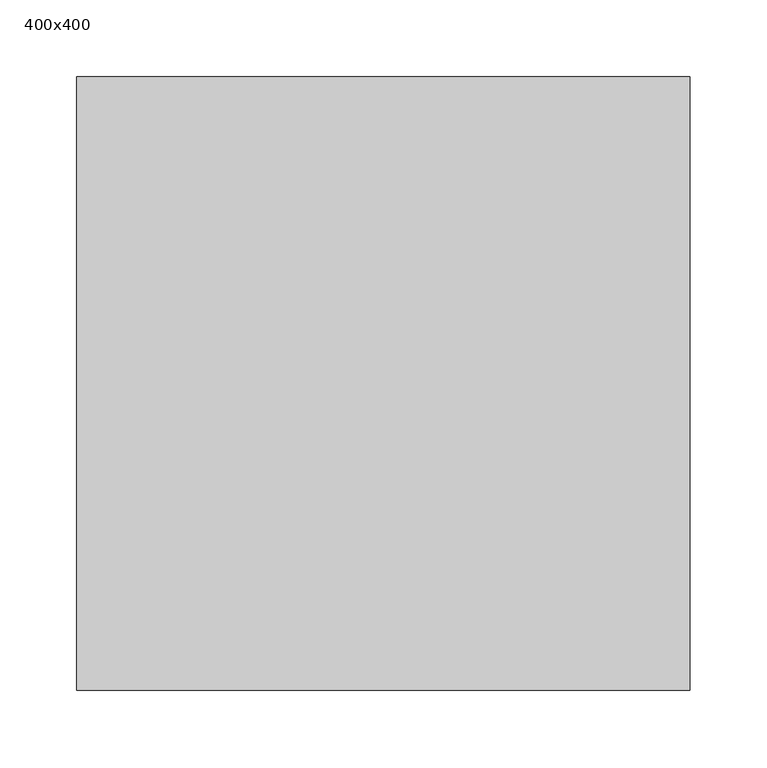
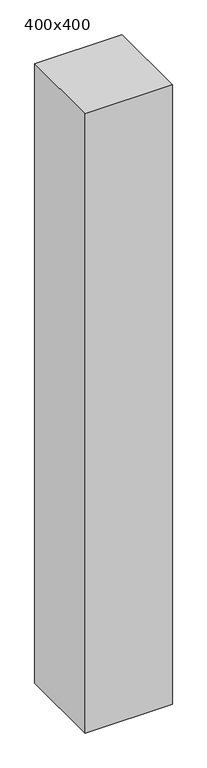
"""IFC4 building model written with IfcOpenShell, lengths in millimetres: proxy geometry, 400x400."""

from ifc_helpers import new_model, si_unit, origin, origin_with_axes, place, context, project, spatial, polyline, outline, extrude, source, transform, mapped, element, save


def proxy_400x400_071fc125(model_context):
    return source(origin(), model_context, "Body", "SweptSolid", [
        extrude(outline(polyline([(3007.3826163, -1100.0), (3407.3826163, -1100.0), (3407.3826163, -1500.0), (3007.3826163, -1500.0), (3007.3826163, -1100.0)])), origin_with_axes(), (0.0, 0.0, 1.0), 3000.0),
    ])


if __name__ == "__main__":
    model = new_model("IFC4")
    model_context = context("Model", 3, world=origin())
    ifc_project = project(units=[si_unit("LENGTHUNIT", "METRE", prefix="MILLI")], contexts=[model_context])
    site = spatial("IfcSite", under=ifc_project)
    building = spatial("IfcBuilding", under=site)
    placement = place(None, origin())
    proxy_400x400_shape = proxy_400x400_071fc125(model_context)
    element("IfcBuildingElementProxy", 1, Name="400x400", ObjectType="400x400", at=placement, inside=building, context=model_context, shape_type="MappedRepresentation", body=[
        mapped(proxy_400x400_shape, transform((0.0, 0.0, 0.0), x_axis=(1.0, 0.0, 0.0), y_axis=(0.0, 1.0, 0.0), z_axis=(0.0, 0.0, 1.0))),
    ])
    save(model, "model.ifc")
